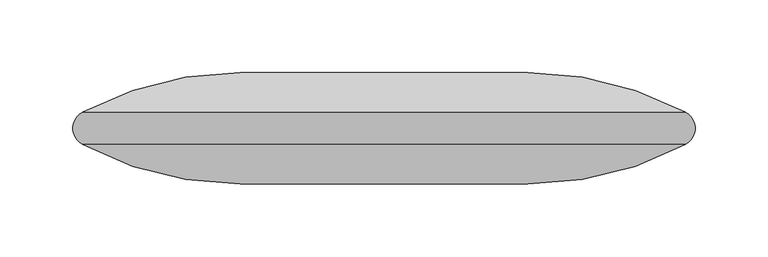
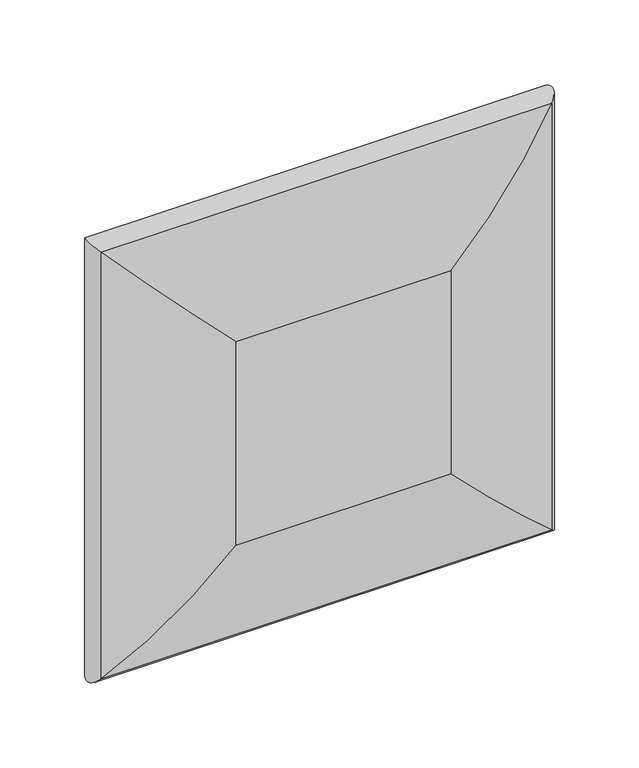
"""IFC4 building model written with IfcOpenShell, lengths in millimetres: furniture geometry."""

from ifc_helpers import new_model, si_unit, frame, origin, place, context, project, spatial, ellipse_curve, source, transform, mapped, element, save
from ifc_brep_helpers import plane_surface, cylinder_surface, advanced_brep


def furniture_cfdebb8d(model_context):
    return source(origin(), model_context, "Body", "AdvancedBrep", [
        advanced_brep(
        [(463.55, 273.05, 501.65), (463.55, 273.05, 698.5), (266.7, 273.05, 698.5), (266.7, 273.05, 501.65), (463.55, 349.25, 698.5), (463.55, 349.25, 501.65), (266.7, 349.25, 501.65), (266.7, 349.25, 698.5), (571.6269877, 299.9296117, 806.5769877), (571.6269877, 299.9296117, 393.5730123), (571.6269877, 322.3703883, 806.5769877), (571.6269877, 322.3703883, 393.5730123), (158.6230123, 299.9296117, 393.5730123), (158.6230123, 322.3703883, 393.5730123), (158.6230123, 299.9296117, 806.5769877), (158.6230123, 322.3703883, 806.5769877)],
        [
            (0, 1),
            (1, 2),
            (2, 3),
            (3, 0),
            (4, 5),
            (5, 6),
            (6, 7),
            (7, 4),
            (8, 1, ellipse_curve(frame((463.55, 503.7666667, 698.5), z_axis=(0.7071067811865475, 0.0, -0.7071067811865475), x_axis=(0.7071067811865474, 0.0, 0.7071067811865476)), 326.2826391, 230.7166667)),
            (0, 9, ellipse_curve(frame((463.55, 503.7666667, 501.65), z_axis=(0.7071067811865475, 0.0, 0.7071067811865475), x_axis=(-0.7071067811865474, 0.0, 0.7071067811865476)), 326.2826391, 230.7166667)),
            (9, 8),
            (4, 10, ellipse_curve(frame((463.55, 118.5333333, 698.5), z_axis=(0.7071067811865475, 0.0, -0.7071067811865475), x_axis=(0.7071067811865474, 0.0, 0.7071067811865476)), 326.2826391, 230.7166667)),
            (10, 11),
            (11, 5, ellipse_curve(frame((463.55, 118.5333333, 501.65), z_axis=(0.7071067811865475, 0.0, 0.7071067811865475), x_axis=(-0.7071067811865474, 0.0, 0.7071067811865476)), 326.2826391, 230.7166667)),
            (3, 12, ellipse_curve(frame((266.7, 503.7666667, 501.65), z_axis=(0.7071067811865475, 0.0, -0.7071067811865475), x_axis=(0.7071067811865476, 0.0, 0.7071067811865474)), 326.2826391, 230.7166667)),
            (12, 9),
            (11, 13),
            (13, 6, ellipse_curve(frame((266.7, 118.5333333, 501.65), z_axis=(0.7071067811865475, 0.0, -0.7071067811865475), x_axis=(0.7071067811865476, 0.0, 0.7071067811865474)), 326.2826391, 230.7166667)),
            (2, 14, ellipse_curve(frame((266.7, 503.7666667, 698.5), z_axis=(-0.7071067811865475, 0.0, -0.7071067811865475), x_axis=(0.7071067811865474, 0.0, -0.7071067811865476)), 326.2826391, 230.7166667)),
            (14, 12),
            (13, 15),
            (15, 7, ellipse_curve(frame((266.7, 118.5333333, 698.5), z_axis=(-0.7071067811865475, 0.0, -0.7071067811865475), x_axis=(0.7071067811865474, 0.0, -0.7071067811865476)), 326.2826391, 230.7166667)),
            (8, 14),
            (15, 10),
            (9, 11, ellipse_curve(frame((565.6777958, 311.15, 399.5222042), z_axis=(0.7071067811865475, 0.0, 0.7071067811865475), x_axis=(-0.7071067811865474, 0.0, 0.7071067811865476)), 17.9605122, 12.7)),
            (10, 8, ellipse_curve(frame((565.6777958, 311.15, 800.6277958), z_axis=(0.7071067811865475, 0.0, -0.7071067811865475), x_axis=(0.7071067811865474, 0.0, 0.7071067811865476)), 17.9605122, 12.7)),
            (12, 13, ellipse_curve(frame((164.5722042, 311.15, 399.5222042), z_axis=(0.7071067811865475, 0.0, -0.7071067811865475), x_axis=(0.7071067811865476, 0.0, 0.7071067811865474)), 17.9605122, 12.7)),
            (14, 15, ellipse_curve(frame((164.5722042, 311.15, 800.6277958), z_axis=(-0.7071067811865475, 0.0, -0.7071067811865475), x_axis=(0.7071067811865474, 0.0, -0.7071067811865476)), 17.9605122, 12.7)),
        ],
        [
            plane_surface(frame((266.7, 273.05, 698.5), z_axis=(0.0, -1.0, 0.0), x_axis=(-1.0, 0.0, 0.0))),
            plane_surface(frame((266.7, 349.25, 698.5), z_axis=(0.0, 1.0, 0.0), x_axis=(1.0, 0.0, 0.0))),
            cylinder_surface(frame((463.55, 503.7666667, 825.5), z_axis=(0.0, 0.0, 1.0), x_axis=(1.0, 0.0, 0.0)), 230.7166667),
            cylinder_surface(frame((463.55, 118.5333333, 825.5), z_axis=(0.0, 0.0, 1.0), x_axis=(1.0, 0.0, 0.0)), 230.7166667),
            cylinder_surface(frame((590.55, 503.7666667, 501.65), z_axis=(1.0, 0.0, 0.0), x_axis=(0.0, 0.0, -1.0)), 230.7166667),
            cylinder_surface(frame((590.55, 118.5333333, 501.65), z_axis=(1.0, 0.0, 0.0), x_axis=(0.0, 0.0, -1.0)), 230.7166667),
            cylinder_surface(frame((266.7, 503.7666667, 374.65), z_axis=(0.0, 0.0, -1.0), x_axis=(-1.0, 0.0, 0.0)), 230.7166667),
            cylinder_surface(frame((266.7, 118.5333333, 374.65), z_axis=(0.0, 0.0, -1.0), x_axis=(-1.0, 0.0, 0.0)), 230.7166667),
            cylinder_surface(frame((139.7, 503.7666667, 698.5), z_axis=(-1.0, 0.0, 0.0), x_axis=(0.0, 0.0, 1.0)), 230.7166667),
            cylinder_surface(frame((139.7, 118.5333333, 698.5), z_axis=(-1.0, 0.0, 0.0), x_axis=(0.0, 0.0, 1.0)), 230.7166667),
            cylinder_surface(frame((565.6777958, 311.15, 825.5), z_axis=(0.0, 0.0, 1.0), x_axis=(1.0, 0.0, 0.0)), 12.7),
            cylinder_surface(frame((590.55, 311.15, 399.5222042), z_axis=(1.0, 0.0, 0.0), x_axis=(0.0, 0.0, -1.0)), 12.7),
            cylinder_surface(frame((164.5722042, 311.15, 374.65), z_axis=(0.0, 0.0, -1.0), x_axis=(-1.0, 0.0, 0.0)), 12.7),
            cylinder_surface(frame((139.7, 311.15, 800.6277958), z_axis=(-1.0, 0.0, 0.0), x_axis=(0.0, 0.0, 1.0)), 12.7),
        ],
        [
            (0, [[1, 2, 3, 4]]),
            (1, [[5, 6, 7, 8]]),
            (2, [[9, -1, 10, 11]]),
            (3, [[12, 13, 14, -5]]),
            (4, [[-10, -4, 15, 16]]),
            (5, [[-14, 17, 18, -6]]),
            (6, [[-15, -3, 19, 20]]),
            (7, [[-18, 21, 22, -7]]),
            (8, [[-9, 23, -19, -2]]),
            (9, [[-12, -8, -22, 24]]),
            (10, [[-11, 25, -13, 26]]),
            (11, [[-16, 27, -17, -25]]),
            (12, [[-20, 28, -21, -27]]),
            (13, [[-23, -26, -24, -28]]),
        ],
    ),
    ])


if __name__ == "__main__":
    model = new_model("IFC4")
    model_context = context("Model", 3, world=origin())
    ifc_project = project(units=[si_unit("LENGTHUNIT", "METRE", prefix="MILLI")], contexts=[model_context])
    site = spatial("IfcSite", under=ifc_project)
    building = spatial("IfcBuilding", under=site)
    placement = place(None, origin())
    furniture_shape = furniture_cfdebb8d(model_context)
    element("IfcFurniture", 1, at=placement, inside=building, context=model_context, shape_type="MappedRepresentation", body=[
        mapped(furniture_shape, transform((0.0, 0.0, 0.0), x_axis=(1.0, 0.0, 0.0), y_axis=(0.0, 1.0, 0.0), z_axis=(0.0, 0.0, 1.0))),
    ])
    save(model, "model.ifc")
